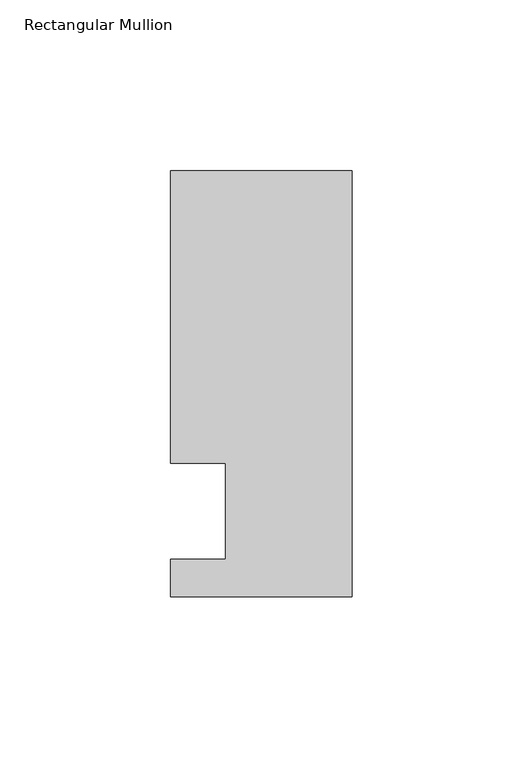
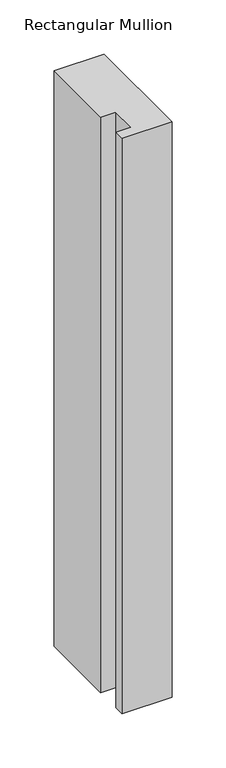
"""IFC4 building model written with IfcOpenShell, lengths in millimetres: member geometry, Rectangular Mullion."""

from ifc_helpers import new_model, si_unit, frame, origin, place, context, project, spatial, polyline, outline, extrude, source, transform, mapped, element, save


def rectangular_mullion_df835c34(model_context):
    return source(origin(), model_context, "Body", "SweptSolid", [
        extrude(outline(polyline([(0.0, -25.0), (-53.0, -25.0), (-53.0, -14.0), (-37.0, -14.0), (-37.0, 14.0), (-53.0, 14.0), (-53.0, 99.5), (0.0, 99.5), (0.0, -25.0)])), frame((0.0, 0.0, -645.5615776), z_axis=(0.0, 0.0, 1.0), x_axis=(1.0, 0.0, 0.0)), (0.0, 0.0, 1.0), 645.5615776),
    ])


if __name__ == "__main__":
    model = new_model("IFC4")
    model_context = context("Model", 3, world=origin())
    ifc_project = project(units=[si_unit("LENGTHUNIT", "METRE", prefix="MILLI")], contexts=[model_context])
    site = spatial("IfcSite", under=ifc_project)
    building = spatial("IfcBuilding", under=site)
    placement = place(None, origin())
    rectangular_mullion_shape = rectangular_mullion_df835c34(model_context)
    element("IfcMember", 1, ObjectType="Rectangular Mullion", at=placement, inside=building, context=model_context, shape_type="MappedRepresentation", body=[
        mapped(rectangular_mullion_shape, transform((0.0, 0.0, 0.0), x_axis=(1.0, 0.0, 0.0), y_axis=(0.0, 1.0, 0.0), z_axis=(0.0, 0.0, 1.0))),
    ])
    save(model, "model.ifc")
